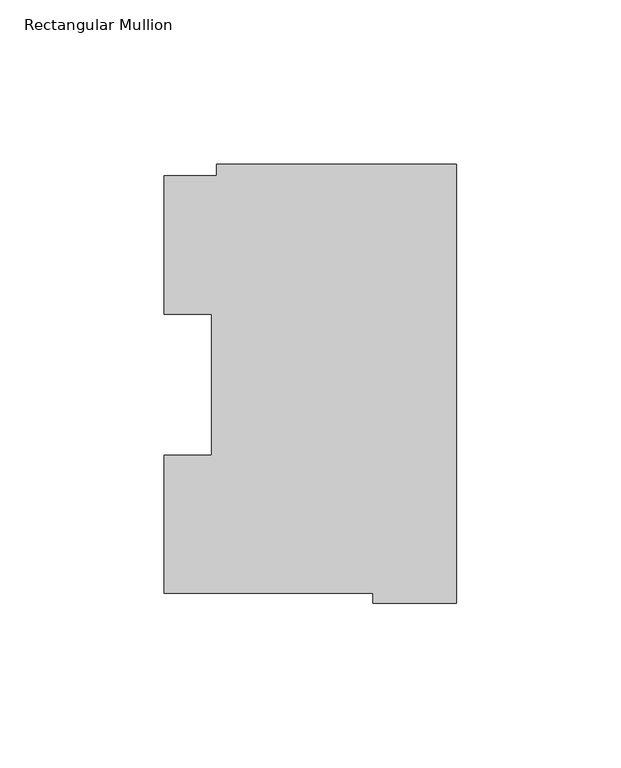
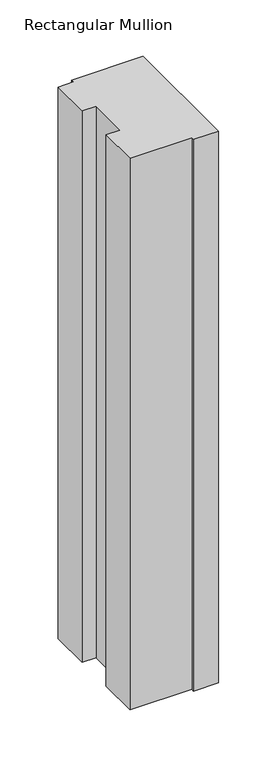
"""IFC4 building model written with IfcOpenShell, lengths in millimetres: member geometry, Rectangular Mullion."""

import ifcopenshell
import ifcopenshell.guid

model = None  # the IFC model being written
_history = None  # IfcOwnerHistory: only IFC2X3 demands one
_inside = {}  # id of a spatial element -> (the spatial element, [elements in it])
_under = {}  # id of a project, library or spatial element -> (it, [spatial elements below it])
_declared = {}  # id of a project -> (the project, [libraries it declares])
_typed = {}  # id of a type object -> (the type object, [elements of that type])
_made_of = {}  # id of a material, layer set ... -> (it, [elements and type objects made of it])


def new_model(schema):
    """Start an empty IFC model of exactly this schema.

    Asked for "IFC4X3", IfcOpenShell would pick the latest addendum, in which some entities
    have other attributes; the version numbers below select the first issue.
    IFC2X3 requires an IfcOwnerHistory on every rooted entity: one is made here for all.
    """
    global model, _history
    if schema == "IFC4X3":
        model = ifcopenshell.file(schema_version=(4, 3, 0, 0))
    else:
        model = ifcopenshell.file(schema=schema)
    _inside.clear()
    _under.clear()
    _declared.clear()
    _typed.clear()
    _made_of.clear()
    _history = None
    if model.schema == "IFC2X3":
        org = make("IfcOrganization", Name="unknown")
        user = make(
            "IfcPersonAndOrganization",
            ThePerson=make("IfcPerson", FamilyName="unknown"),
            TheOrganization=org,
        )
        app = make(
            "IfcApplication",
            ApplicationDeveloper=org,
            Version="unknown",
            ApplicationFullName="unknown",
            ApplicationIdentifier="unknown",
        )
        _history = make(
            "IfcOwnerHistory",
            OwningUser=user,
            OwningApplication=app,
            ChangeAction="ADDED",
            CreationDate=0,
        )
    return model


def make(cls, **values):
    """One entity of the class cls with the attributes given. An attribute that is None is left unset."""
    return model.create_entity(
        cls, **{name: value for name, value in values.items() if value is not None}
    )


def rooted(cls, **values):
    """An entity with a GlobalId (a new one), such as an element, a storey or a relation."""
    return make(cls, GlobalId=ifcopenshell.guid.new(), OwnerHistory=_history, **values)


def si_unit(unit_type, name, prefix=None):
    """IfcSIUnit, for example si_unit("LENGTHUNIT", "METRE", prefix="MILLI")."""
    return make("IfcSIUnit", UnitType=unit_type, Prefix=prefix, Name=name)


def assignment(units):
    """IfcUnitAssignment: the units of a project."""
    return None if units is None else make("IfcUnitAssignment", Units=units)


def point(xyz):
    """IfcCartesianPoint."""
    return None if xyz is None else make("IfcCartesianPoint", Coordinates=xyz)


def direction(xyz):
    """IfcDirection."""
    return None if xyz is None else make("IfcDirection", DirectionRatios=xyz)


def frame(location, z_axis=None, x_axis=None):
    """IfcAxis2Placement3D, a coordinate frame: its origin and axes. An axis left out is left unset."""
    return make(
        "IfcAxis2Placement3D",
        Location=point(location),
        Axis=direction(z_axis),
        RefDirection=direction(x_axis),
    )


def origin():
    """The frame at (0, 0, 0) with its axes left unset."""
    return frame((0.0, 0.0, 0.0))


def place(relative_to, where):
    """IfcLocalPlacement: puts the frame where relative to a parent placement (None: the world)."""
    return make(
        "IfcLocalPlacement", PlacementRelTo=relative_to, RelativePlacement=where
    )


def context(
    kind, dimensions, precision=None, world=None, true_north=None, identifier=None
):
    """IfcGeometricRepresentationContext, for example the 3D "Model" context."""
    return make(
        "IfcGeometricRepresentationContext",
        ContextIdentifier=identifier,
        ContextType=kind,
        CoordinateSpaceDimension=dimensions,
        Precision=precision,
        WorldCoordinateSystem=world,
        TrueNorth=true_north,
    )


def project(units=None, contexts=None):
    """IfcProject with its units and contexts."""
    return rooted(
        "IfcProject",
        Name="project",
        RepresentationContexts=contexts,
        UnitsInContext=assignment(units),
    )


def spatial(cls, under=None, at=None, **own):
    """A site, building, storey or space (cls), placed at a placement, below another one or the project."""
    s = rooted(cls, ObjectPlacement=at, **own)
    if under is not None:
        _under.setdefault(under.id(), (under, []))[1].append(s)
    return s


def polyline(points):
    """IfcPolyline through the points."""
    return make("IfcPolyline", Points=[point(p) for p in points])


def outline(outer, holes=None, kind="AREA"):
    """IfcArbitraryClosedProfileDef: a profile drawn as a closed curve; with holes, ...WithVoids."""
    if holes is None:
        return make("IfcArbitraryClosedProfileDef", ProfileType=kind, OuterCurve=outer)
    return make(
        "IfcArbitraryProfileDefWithVoids",
        ProfileType=kind,
        OuterCurve=outer,
        InnerCurves=holes,
    )


def extrude(swept, where, along, depth):
    """IfcExtrudedAreaSolid: the profile swept, set in the frame where, extruded along a direction by depth."""
    return make(
        "IfcExtrudedAreaSolid",
        SweptArea=swept,
        Position=where,
        ExtrudedDirection=direction(along),
        Depth=depth,
    )


def shape(context_of_items, identifier, shape_type, items):
    """IfcShapeRepresentation: the items that make up one representation, for example the "Body"."""
    return make(
        "IfcShapeRepresentation",
        ContextOfItems=context_of_items,
        RepresentationIdentifier=identifier,
        RepresentationType=shape_type,
        Items=items,
    )


def source(mapping_origin, context_of_items, identifier, shape_type, items):
    """IfcRepresentationMap: a shape defined once, which mapped items show again and again."""
    return make(
        "IfcRepresentationMap",
        MappingOrigin=mapping_origin,
        MappedRepresentation=shape(context_of_items, identifier, shape_type, items),
    )


def transform(
    local_origin,
    x_axis=None,
    y_axis=None,
    z_axis=None,
    scale=None,
    scale2=None,
    scale3=None,
    uniform=True,
):
    """IfcCartesianTransformationOperator3D, or its non-uniform kind. x_axis, y_axis, z_axis: its Axis1, 2, 3."""
    if uniform:
        return make(
            "IfcCartesianTransformationOperator3D",
            Axis1=direction(x_axis),
            Axis2=direction(y_axis),
            LocalOrigin=point(local_origin),
            Scale=scale,
            Axis3=direction(z_axis),
        )
    return make(
        "IfcCartesianTransformationOperator3DnonUniform",
        Axis1=direction(x_axis),
        Axis2=direction(y_axis),
        LocalOrigin=point(local_origin),
        Scale=scale,
        Axis3=direction(z_axis),
        Scale2=scale2,
        Scale3=scale3,
    )


def mapped(mapping_source, mapping_target):
    """IfcMappedItem: shows the shape of a source again, moved by a transform."""
    return make(
        "IfcMappedItem", MappingSource=mapping_source, MappingTarget=mapping_target
    )


def made_of(thing, what):
    """Note that an element or type object is made of a material, layer set ...; save() writes the relation."""
    if what is not None:
        _made_of.setdefault(what.id(), (what, []))[1].append(thing)
    return thing


def element(
    cls,
    number,
    at=None,
    inside=None,
    cuts=None,
    type_object=None,
    material=None,
    context=None,
    identifier="Body",
    shape_type=None,
    held_by="IfcProductDefinitionShape",
    body=None,
    shapes=None,
    **own,
):
    """One element of the class cls, such as IfcWall. Its Tag is "e" and its number.

    at: its placement. inside: the storey or other place that contains it. cuts: it is an
    opening in that element (IfcRelVoidsElement). A single representation is given by context,
    identifier, shape_type and body (its items); several are given by shapes. held_by: the class
    of the entity that holds the representations. save() writes the other relations.
    """
    e = rooted(cls, Tag="e%d" % number, ObjectPlacement=at, **own)
    if body is not None:
        shapes = [shape(context, identifier, shape_type, body)]
    if shapes is not None:
        e.Representation = make(held_by, Representations=shapes)
    if inside is not None:
        _inside.setdefault(inside.id(), (inside, []))[1].append(e)
    if cuts is not None:
        rooted(
            "IfcRelVoidsElement", RelatingBuildingElement=cuts, RelatedOpeningElement=e
        )
    if type_object is not None:
        _typed.setdefault(type_object.id(), (type_object, []))[1].append(e)
    return made_of(e, material)


def aggregate(whole, parts):
    """IfcRelAggregates: a whole, such as a stair, and the parts it consists of."""
    return rooted("IfcRelAggregates", RelatingObject=whole, RelatedObjects=parts)


def save(model, path):
    """Write the relations noted so far, then the file.

    IfcRelAggregates (storeys below a building ...), IfcRelContainedInSpatialStructure (elements
    in a storey), IfcRelDefinesByType, IfcRelAssociatesMaterial and IfcRelDeclares: one each for
    every whole, place, type object, material and project.
    """
    for whole, parts in _under.values():
        aggregate(whole, parts)
    for where, things in _inside.values():
        rooted(
            "IfcRelContainedInSpatialStructure",
            RelatedElements=things,
            RelatingStructure=where,
        )
    for kind, things in _typed.values():
        rooted("IfcRelDefinesByType", RelatedObjects=things, RelatingType=kind)
    for what, things in _made_of.values():
        rooted("IfcRelAssociatesMaterial", RelatedObjects=things, RelatingMaterial=what)
    for by, libraries in _declared.values():
        rooted("IfcRelDeclares", RelatingContext=by, RelatedDefinitions=libraries)
    model.write(path)


def rectangular_mullion_5e981b31(model_context):
    return source(origin(), model_context, "Body", "SweptSolid", [
        extrude(outline(polyline([(-73.025, 130.1270275), (0.0, 130.1270275), (0.0, -3.2371943), (-25.3823253, -3.2371943), (-25.3823253, -0.2913097), (-88.8823253, -0.2913097), (-88.8823253, 41.7837928), (-74.4735473, 41.7837928), (-74.4735473, 84.6335938), (-88.8823253, 84.6335938), (-88.8823253, 126.7086938), (-73.025, 126.7086938), (-73.025, 130.1270275)])), frame((0.0, 0.0, -596.6086938), z_axis=(0.0, 0.0, 1.0), x_axis=(1.0, 0.0, 0.0)), (0.0, 0.0, 1.0), 596.6086938),
    ])


if __name__ == "__main__":
    model = new_model("IFC4")
    model_context = context("Model", 3, world=origin())
    ifc_project = project(units=[si_unit("LENGTHUNIT", "METRE", prefix="MILLI")], contexts=[model_context])
    site = spatial("IfcSite", under=ifc_project)
    building = spatial("IfcBuilding", under=site)
    placement = place(None, origin())
    rectangular_mullion_shape = rectangular_mullion_5e981b31(model_context)
    element("IfcMember", 1, ObjectType="Rectangular Mullion", at=placement, inside=building, context=model_context, shape_type="MappedRepresentation", body=[
        mapped(rectangular_mullion_shape, transform((0.0, 0.0, 0.0), x_axis=(1.0, 0.0, 0.0), y_axis=(0.0, 1.0, 0.0), z_axis=(0.0, 0.0, 1.0))),
    ])
    save(model, "model.ifc")
